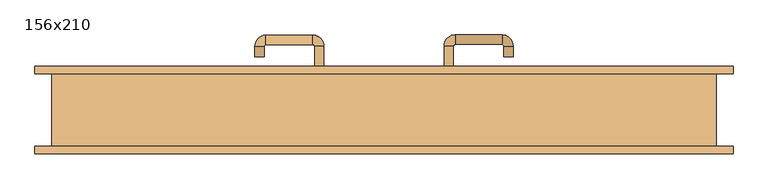
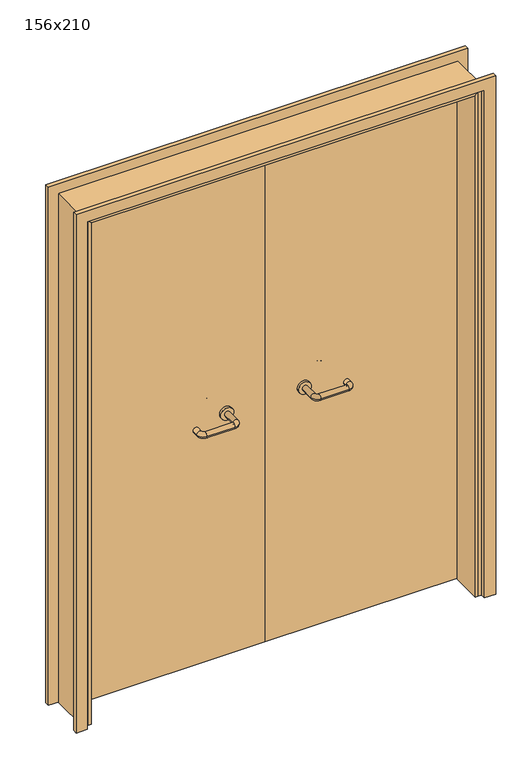
"""IFC4 building model written with IfcOpenShell, lengths in millimetres: door geometry, 156x210."""

from ifc_helpers import new_model, si_unit, point, frame, frame_2d, origin, place, context, project, spatial, polyline, circle_curve, ellipse_curve, trimmed, segment, composite_curve, outline, extrude, faceted_brep, source, transform, mapped, element, save
from ifc_brep_helpers import plane_surface, cylinder_surface, revolved_surface, advanced_brep


def door_156x210_d77bd2c3(model_context):
    return source(origin(), model_context, "Body", "SolidModel", [
        faceted_brep([(-750.0, 38.0, 0.0), (-750.0, -84.0, 0.0), (-760.0, -84.0, 0.0), (-760.0, 38.0, 0.0), (-750.0, 38.0, 2070.0), (-750.0, -84.0, 2070.0), (-760.0, -84.0, 2080.0), (-760.0, 38.0, 2080.0), (750.0, 38.0, 0.0), (760.0, 38.0, 0.0), (760.0, -84.0, 0.0), (750.0, -84.0, 0.0), (750.0, 38.0, 2070.0), (760.0, 38.0, 2080.0), (760.0, -84.0, 2080.0), (750.0, -84.0, 2070.0)], [[[0, 1, 2, 3]], [[1, 0, 4, 5]], [[2, 1, 5, 6]], [[3, 2, 6, 7]], [[0, 3, 7, 4]], [[8, 9, 10, 11]], [[12, 13, 9, 8]], [[13, 14, 10, 9]], [[14, 15, 11, 10]], [[15, 12, 8, 11]], [[5, 4, 12, 15]], [[6, 5, 15, 14]], [[7, 6, 14, 13]], [[4, 7, 13, 12]]]),
        extrude(outline(polyline([(2139.0, 819.0), (2139.0, -819.0), (0.0, -819.0), (0.0, -775.0), (2095.0, -775.0), (2095.0, 775.0), (0.0, 775.0), (0.0, 819.0), (2139.0, 819.0)])), frame((0.0, 85.0, 0.0), z_axis=(0.0, 1.0, 0.0), x_axis=(0.0, 0.0, 1.0)), (0.0, 0.0, 1.0), 18.0),
        extrude(outline(polyline([(2139.0, -819.0), (0.0, -819.0), (0.0, -775.0), (2095.0, -775.0), (2095.0, 775.0), (0.0, 775.0), (0.0, 819.0), (2139.0, 819.0), (2139.0, -819.0)])), frame((0.0, -103.0, 0.0), z_axis=(0.0, 1.0, 0.0), x_axis=(0.0, 0.0, 1.0)), (0.0, 0.0, 1.0), 18.0),
        extrude(outline(polyline([(2100.0, -780.0), (0.0, -780.0), (0.0, -760.0), (2080.0, -760.0), (2080.0, 760.0), (0.0, 760.0), (0.0, 780.0), (2100.0, 780.0), (2100.0, -780.0)])), frame((0.0, -84.0, 0.0), z_axis=(0.0, 1.0, 0.0), x_axis=(0.0, 0.0, 1.0)), (0.0, 0.0, 1.0), 169.0),
        advanced_brep(
        [(140.99898, 31.0, 1003.0), (162.99898, 31.0, 1003.0), (140.99898, -24.3525369, 1003.0), (162.99898, -24.3525369, 1003.0), (166.99898, -28.3525369, 1003.0), (166.99898, -50.3525369, 1003.0), (276.99898, -50.3525369, 1003.0), (276.99898, -28.3525369, 1003.0), (280.99898, -24.3525369, 1003.0), (302.99898, -24.3525369, 1003.0), (302.99898, -7.0, 1003.0), (280.99898, -7.0, 1003.0)],
        [
            (0, 1, circle_curve(frame((151.99898, 31.0, 1003.0), z_axis=(0.0, 1.0, 0.0), x_axis=(1.0, 0.0, 0.0)), 11.0)),
            (1, 0, circle_curve(frame((151.99898, 31.0, 1003.0), z_axis=(0.0, 1.0, 0.0), x_axis=(1.0, 0.0, 0.0)), 11.0)),
            (0, 2),
            (2, 3, circle_curve(frame((151.99898, -24.3525369, 1003.0), z_axis=(0.0, 1.0, 0.0), x_axis=(1.0, 0.0, 0.0)), 11.0)),
            (3, 1),
            (3, 2, circle_curve(frame((151.99898, -24.3525369, 1003.0), z_axis=(0.0, 1.0, 0.0), x_axis=(1.0, 0.0, 0.0)), 11.0)),
            (4, 3, circle_curve(frame((166.99898, -24.3525369, 1003.0), z_axis=(0.0, 0.0, -1.0), x_axis=(-1.0, 0.0, 0.0)), 4.0)),
            (2, 5, circle_curve(frame((166.99898, -24.3525369, 1003.0), z_axis=(0.0, 0.0, 1.0), x_axis=(-1.0, 0.0, 0.0)), 26.0)),
            (5, 4, circle_curve(frame((166.99898, -39.3525369, 1003.0), z_axis=(-1.0, 0.0, 0.0), x_axis=(0.0, 1.0, 0.0)), 11.0)),
            (4, 5, circle_curve(frame((166.99898, -39.3525369, 1003.0), z_axis=(-1.0, 0.0, 0.0), x_axis=(0.0, 1.0, 0.0)), 11.0)),
            (5, 6),
            (6, 7, circle_curve(frame((276.99898, -39.3525369, 1003.0), z_axis=(-1.0, 0.0, 0.0), x_axis=(0.0, 1.0, 0.0)), 11.0)),
            (7, 4),
            (7, 6, circle_curve(frame((276.99898, -39.3525369, 1003.0), z_axis=(-1.0, 0.0, 0.0), x_axis=(0.0, 1.0, 0.0)), 11.0)),
            (8, 7, circle_curve(frame((276.99898, -24.3525369, 1003.0), z_axis=(0.0, 0.0, -1.0), x_axis=(0.0, -1.0, 0.0)), 4.0)),
            (6, 9, circle_curve(frame((276.99898, -24.3525369, 1003.0), z_axis=(0.0, 0.0, 1.0), x_axis=(0.0, -1.0, 0.0)), 26.0)),
            (9, 8, circle_curve(frame((291.99898, -24.3525369, 1003.0), z_axis=(0.0, -1.0, 0.0), x_axis=(-1.0, 0.0, 0.0)), 11.0)),
            (8, 9, circle_curve(frame((291.99898, -24.3525369, 1003.0), z_axis=(0.0, -1.0, 0.0), x_axis=(-1.0, 0.0, 0.0)), 11.0)),
            (10, 11, circle_curve(frame((291.99898, -7.0, 1003.0), z_axis=(0.0, 1.0, 0.0), x_axis=(-1.0, 0.0, 0.0)), 11.0)),
            (11, 10, circle_curve(frame((291.99898, -7.0, 1003.0), z_axis=(0.0, 1.0, 0.0), x_axis=(-1.0, 0.0, 0.0)), 11.0)),
            (9, 10),
            (11, 8),
        ],
        [
            plane_surface(frame((140.99898, 31.0, 1003.0), z_axis=(0.0, 1.0, 0.0), x_axis=(0.0, 0.0, -1.0))),
            cylinder_surface(frame((151.99898, 31.0, 1003.0), z_axis=(0.0, 1.0, 0.0), x_axis=(1.0, 0.0, 0.0)), 11.0),
            revolved_surface(trimmed(ellipse_curve(frame((151.99898, -24.3525369, 1003.0), z_axis=(0.0, 1.0, 0.0), x_axis=(1.0, 0.0, 0.0)), 11.0, 11.0), [point((140.99898, -24.3525369, 1003.0))], [point((162.99898, -24.3525369, 1003.0))], True, "CARTESIAN"), (166.99898, -24.3525369, 1003.0), (0.0, 0.0, 1.0)),
            revolved_surface(trimmed(ellipse_curve(frame((151.99898, -24.3525369, 1003.0), z_axis=(0.0, 1.0, 0.0), x_axis=(1.0, 0.0, 0.0)), 11.0, 11.0), [point((162.99898, -24.3525369, 1003.0))], [point((140.99898, -24.3525369, 1003.0))], True, "CARTESIAN"), (166.99898, -24.3525369, 1003.0), (0.0, 0.0, 1.0)),
            cylinder_surface(frame((166.99898, -39.3525369, 1003.0), z_axis=(-1.0, 0.0, 0.0), x_axis=(0.0, 1.0, 0.0)), 11.0),
            revolved_surface(trimmed(ellipse_curve(frame((276.99898, -39.3525369, 1003.0), z_axis=(-1.0, 0.0, 0.0), x_axis=(0.0, 1.0, 0.0)), 11.0, 11.0), [point((276.99898, -50.3525369, 1003.0))], [point((276.99898, -28.3525369, 1003.0))], True, "CARTESIAN"), (276.99898, -24.3525369, 1003.0), (0.0, 0.0, 1.0)),
            revolved_surface(trimmed(ellipse_curve(frame((276.99898, -39.3525369, 1003.0), z_axis=(-1.0, 0.0, 0.0), x_axis=(0.0, 1.0, 0.0)), 11.0, 11.0), [point((276.99898, -28.3525369, 1003.0))], [point((276.99898, -50.3525369, 1003.0))], True, "CARTESIAN"), (276.99898, -24.3525369, 1003.0), (0.0, 0.0, 1.0)),
            plane_surface(frame((280.99898, -7.0, 1003.0), z_axis=(0.0, 1.0, 0.0), x_axis=(0.0, 0.0, 1.0))),
            cylinder_surface(frame((291.99898, -24.3525369, 1003.0), z_axis=(0.0, -1.0, 0.0), x_axis=(-1.0, 0.0, 0.0)), 11.0),
        ],
        [
            (0, [[1, 2]]),
            (1, [[-1, 3, 4, 5]]),
            (1, [[-2, -5, 6, -3]]),
            (2, [[7, -4, 8, 9]]),
            (3, [[-8, -6, -7, 10]]),
            (4, [[-9, 11, 12, 13]]),
            (4, [[-10, -13, 14, -11]]),
            (5, [[15, -12, 16, 17]]),
            (6, [[-16, -14, -15, 18]]),
            (7, [[19, 20]]),
            (8, [[-17, 21, -20, 22]]),
            (8, [[-18, -22, -19, -21]]),
        ],
    ),
        extrude(outline(composite_curve([segment(trimmed(circle_curve(frame_2d((1003.0, 151.99898)), 25.0), [point((1003.0, 126.99898))], [point((1003.0, 176.99898))], False, "CARTESIAN"), True, "CONTINUOUS"), segment(trimmed(circle_curve(frame_2d((1003.0, 151.99898)), 25.0), [point((1003.0, 176.99898))], [point((1003.0, 126.99898))], False, "CARTESIAN"), True, "CONTINUOUS")], self_intersect=False)), frame((0.0, 31.0, 0.0), z_axis=(0.0, 1.0, 0.0), x_axis=(0.0, 0.0, 1.0)), (0.0, 0.0, 1.0), 10.0),
        advanced_brep(
        [(162.99898, 95.0, 1003.0), (140.99898, 95.0, 1003.0), (162.99898, 150.0, 1003.0), (140.99898, 150.0, 1003.0), (166.99898, 176.0, 1003.0), (166.99898, 154.0, 1003.0), (276.99898, 154.0, 1003.0), (276.99898, 176.0, 1003.0), (302.99898, 150.0, 1003.0), (280.99898, 150.0, 1003.0), (280.99898, 125.0, 1003.0), (302.99898, 125.0, 1003.0)],
        [
            (0, 1, circle_curve(frame((151.99898, 95.0, 1003.0), z_axis=(0.0, -1.0, 0.0), x_axis=(-1.0, 0.0, 0.0)), 11.0)),
            (1, 0, circle_curve(frame((151.99898, 95.0, 1003.0), z_axis=(0.0, -1.0, 0.0), x_axis=(-1.0, 0.0, 0.0)), 11.0)),
            (0, 2),
            (2, 3, circle_curve(frame((151.99898, 150.0, 1003.0), z_axis=(0.0, -1.0, 0.0), x_axis=(-1.0, 0.0, 0.0)), 11.0)),
            (3, 1),
            (3, 2, circle_curve(frame((151.99898, 150.0, 1003.0), z_axis=(0.0, -1.0, 0.0), x_axis=(-1.0, 0.0, 0.0)), 11.0)),
            (4, 3, circle_curve(frame((166.99898, 150.0, 1003.0), z_axis=(0.0, 0.0, 1.0), x_axis=(-1.0, 0.0, 0.0)), 26.0)),
            (2, 5, circle_curve(frame((166.99898, 150.0, 1003.0), z_axis=(0.0, 0.0, -1.0), x_axis=(-1.0, 0.0, 0.0)), 4.0)),
            (5, 4, circle_curve(frame((166.99898, 165.0, 1003.0), z_axis=(-1.0, 0.0, 0.0), x_axis=(0.0, 1.0, 0.0)), 11.0)),
            (4, 5, circle_curve(frame((166.99898, 165.0, 1003.0), z_axis=(-1.0, 0.0, 0.0), x_axis=(0.0, 1.0, 0.0)), 11.0)),
            (5, 6),
            (6, 7, circle_curve(frame((276.99898, 165.0, 1003.0), z_axis=(-1.0, 0.0, 0.0), x_axis=(0.0, 1.0, 0.0)), 11.0)),
            (7, 4),
            (7, 6, circle_curve(frame((276.99898, 165.0, 1003.0), z_axis=(-1.0, 0.0, 0.0), x_axis=(0.0, 1.0, 0.0)), 11.0)),
            (8, 7, circle_curve(frame((276.99898, 150.0, 1003.0), z_axis=(0.0, 0.0, 1.0), x_axis=(0.0, 1.0, 0.0)), 26.0)),
            (6, 9, circle_curve(frame((276.99898, 150.0, 1003.0), z_axis=(0.0, 0.0, -1.0), x_axis=(0.0, 1.0, 0.0)), 4.0)),
            (9, 8, circle_curve(frame((291.99898, 150.0, 1003.0), z_axis=(0.0, 1.0, 0.0), x_axis=(1.0, 0.0, 0.0)), 11.0)),
            (8, 9, circle_curve(frame((291.99898, 150.0, 1003.0), z_axis=(0.0, 1.0, 0.0), x_axis=(1.0, 0.0, 0.0)), 11.0)),
            (10, 11, circle_curve(frame((291.99898, 125.0, 1003.0), z_axis=(0.0, -1.0, 0.0), x_axis=(1.0, 0.0, 0.0)), 11.0)),
            (11, 10, circle_curve(frame((291.99898, 125.0, 1003.0), z_axis=(0.0, -1.0, 0.0), x_axis=(1.0, 0.0, 0.0)), 11.0)),
            (9, 10),
            (11, 8),
        ],
        [
            plane_surface(frame((140.99898, 95.0, 1003.0), z_axis=(0.0, -1.0, 0.0), x_axis=(0.0, 0.0, 1.0))),
            cylinder_surface(frame((151.99898, 95.0, 1003.0), z_axis=(0.0, -1.0, 0.0), x_axis=(-1.0, 0.0, 0.0)), 11.0),
            revolved_surface(trimmed(ellipse_curve(frame((151.99898, 150.0, 1003.0), z_axis=(0.0, -1.0, 0.0), x_axis=(-1.0, 0.0, 0.0)), 11.0, 11.0), [point((162.99898, 150.0, 1003.0))], [point((140.99898, 150.0, 1003.0))], True, "CARTESIAN"), (166.99898, 150.0, 1003.0), (0.0, 0.0, -1.0)),
            revolved_surface(trimmed(ellipse_curve(frame((151.99898, 150.0, 1003.0), z_axis=(0.0, -1.0, 0.0), x_axis=(-1.0, 0.0, 0.0)), 11.0, 11.0), [point((140.99898, 150.0, 1003.0))], [point((162.99898, 150.0, 1003.0))], True, "CARTESIAN"), (166.99898, 150.0, 1003.0), (0.0, 0.0, -1.0)),
            cylinder_surface(frame((166.99898, 165.0, 1003.0), z_axis=(-1.0, 0.0, 0.0), x_axis=(0.0, 1.0, 0.0)), 11.0),
            revolved_surface(trimmed(ellipse_curve(frame((276.99898, 165.0, 1003.0), z_axis=(-1.0, 0.0, 0.0), x_axis=(0.0, 1.0, 0.0)), 11.0, 11.0), [point((276.99898, 154.0, 1003.0))], [point((276.99898, 176.0, 1003.0))], True, "CARTESIAN"), (276.99898, 150.0, 1003.0), (0.0, 0.0, -1.0)),
            revolved_surface(trimmed(ellipse_curve(frame((276.99898, 165.0, 1003.0), z_axis=(-1.0, 0.0, 0.0), x_axis=(0.0, 1.0, 0.0)), 11.0, 11.0), [point((276.99898, 176.0, 1003.0))], [point((276.99898, 154.0, 1003.0))], True, "CARTESIAN"), (276.99898, 150.0, 1003.0), (0.0, 0.0, -1.0)),
            plane_surface(frame((280.99898, 125.0, 1003.0), z_axis=(0.0, -1.0, 0.0), x_axis=(0.0, 0.0, -1.0))),
            cylinder_surface(frame((291.99898, 150.0, 1003.0), z_axis=(0.0, 1.0, 0.0), x_axis=(1.0, 0.0, 0.0)), 11.0),
        ],
        [
            (0, [[1, 2]]),
            (1, [[-1, 3, 4, 5]]),
            (1, [[-2, -5, 6, -3]]),
            (2, [[7, -4, 8, 9]]),
            (3, [[-8, -6, -7, 10]]),
            (4, [[-9, 11, 12, 13]]),
            (4, [[-10, -13, 14, -11]]),
            (5, [[15, -12, 16, 17]]),
            (6, [[-16, -14, -15, 18]]),
            (7, [[19, 20]]),
            (8, [[-17, 21, -20, 22]]),
            (8, [[-18, -22, -19, -21]]),
        ],
    ),
        extrude(outline(composite_curve([segment(trimmed(circle_curve(frame_2d((1003.0, 151.99898)), 25.0), [point((1003.0, 176.99898))], [point((1003.0, 126.99898))], False, "CARTESIAN"), True, "CONTINUOUS"), segment(trimmed(circle_curve(frame_2d((1003.0, 151.99898)), 25.0), [point((1003.0, 126.99898))], [point((1003.0, 176.99898))], False, "CARTESIAN"), True, "CONTINUOUS")], self_intersect=False)), frame((0.0, 85.0, 0.0), z_axis=(0.0, 1.0, 0.0), x_axis=(0.0, 0.0, 1.0)), (0.0, 0.0, 1.0), 10.0),
        advanced_brep(
        [(-162.99898, 30.6886121, 1003.0), (-140.99898, 30.6886121, 1003.0), (-162.99898, -24.7220447, 1003.0), (-140.99898, -24.7220447, 1003.0), (-166.99898, -50.7220447, 1003.0), (-166.99898, -28.7220447, 1003.0), (-276.99898, -28.7220447, 1003.0), (-276.99898, -50.7220447, 1003.0), (-302.99898, -24.7220447, 1003.0), (-280.99898, -24.7220447, 1003.0), (-280.99898, 0.2779553, 1003.0), (-302.99898, 0.2779553, 1003.0)],
        [
            (0, 1, circle_curve(frame((-151.99898, 30.6886121, 1003.0), z_axis=(0.0, 1.0, 0.0), x_axis=(1.0, 0.0, 0.0)), 11.0)),
            (1, 0, circle_curve(frame((-151.99898, 30.6886121, 1003.0), z_axis=(0.0, 1.0, 0.0), x_axis=(1.0, 0.0, 0.0)), 11.0)),
            (0, 2),
            (2, 3, circle_curve(frame((-151.99898, -24.7220447, 1003.0), z_axis=(0.0, 1.0, 0.0), x_axis=(1.0, 0.0, 0.0)), 11.0)),
            (3, 1),
            (3, 2, circle_curve(frame((-151.99898, -24.7220447, 1003.0), z_axis=(0.0, 1.0, 0.0), x_axis=(1.0, 0.0, 0.0)), 11.0)),
            (4, 3, circle_curve(frame((-166.99898, -24.7220447, 1003.0), z_axis=(0.0, 0.0, 1.0), x_axis=(1.0, 0.0, 0.0)), 26.0)),
            (2, 5, circle_curve(frame((-166.99898, -24.7220447, 1003.0), z_axis=(0.0, 0.0, -1.0), x_axis=(1.0, 0.0, 0.0)), 4.0)),
            (5, 4, circle_curve(frame((-166.99898, -39.7220447, 1003.0), z_axis=(1.0, 0.0, 0.0), x_axis=(0.0, -1.0, 0.0)), 11.0)),
            (4, 5, circle_curve(frame((-166.99898, -39.7220447, 1003.0), z_axis=(1.0, 0.0, 0.0), x_axis=(0.0, -1.0, 0.0)), 11.0)),
            (5, 6),
            (6, 7, circle_curve(frame((-276.99898, -39.7220447, 1003.0), z_axis=(1.0, 0.0, 0.0), x_axis=(0.0, -1.0, 0.0)), 11.0)),
            (7, 4),
            (7, 6, circle_curve(frame((-276.99898, -39.7220447, 1003.0), z_axis=(1.0, 0.0, 0.0), x_axis=(0.0, -1.0, 0.0)), 11.0)),
            (8, 7, circle_curve(frame((-276.99898, -24.7220447, 1003.0), z_axis=(0.0, 0.0, 1.0), x_axis=(0.0, -1.0, 0.0)), 26.0)),
            (6, 9, circle_curve(frame((-276.99898, -24.7220447, 1003.0), z_axis=(0.0, 0.0, -1.0), x_axis=(0.0, -1.0, 0.0)), 4.0)),
            (9, 8, circle_curve(frame((-291.99898, -24.7220447, 1003.0), z_axis=(0.0, -1.0, 0.0), x_axis=(-1.0, 0.0, 0.0)), 11.0)),
            (8, 9, circle_curve(frame((-291.99898, -24.7220447, 1003.0), z_axis=(0.0, -1.0, 0.0), x_axis=(-1.0, 0.0, 0.0)), 11.0)),
            (10, 11, circle_curve(frame((-291.99898, 0.2779553, 1003.0), z_axis=(0.0, 1.0, 0.0), x_axis=(-1.0, 0.0, 0.0)), 11.0)),
            (11, 10, circle_curve(frame((-291.99898, 0.2779553, 1003.0), z_axis=(0.0, 1.0, 0.0), x_axis=(-1.0, 0.0, 0.0)), 11.0)),
            (9, 10),
            (11, 8),
        ],
        [
            plane_surface(frame((-162.99898, 30.6886121, 1003.0), z_axis=(0.0, 1.0, 0.0), x_axis=(0.0, 0.0, -1.0))),
            cylinder_surface(frame((-151.99898, 30.6886121, 1003.0), z_axis=(0.0, 1.0, 0.0), x_axis=(1.0, 0.0, 0.0)), 11.0),
            revolved_surface(trimmed(ellipse_curve(frame((-151.99898, -24.7220447, 1003.0), z_axis=(0.0, 1.0, 0.0), x_axis=(1.0, 0.0, 0.0)), 11.0, 11.0), [point((-162.99898, -24.7220447, 1003.0))], [point((-140.99898, -24.7220447, 1003.0))], True, "CARTESIAN"), (-166.99898, -24.7220447, 1003.0), (0.0, 0.0, -1.0)),
            revolved_surface(trimmed(ellipse_curve(frame((-151.99898, -24.7220447, 1003.0), z_axis=(0.0, 1.0, 0.0), x_axis=(1.0, 0.0, 0.0)), 11.0, 11.0), [point((-140.99898, -24.7220447, 1003.0))], [point((-162.99898, -24.7220447, 1003.0))], True, "CARTESIAN"), (-166.99898, -24.7220447, 1003.0), (0.0, 0.0, -1.0)),
            cylinder_surface(frame((-166.99898, -39.7220447, 1003.0), z_axis=(1.0, 0.0, 0.0), x_axis=(0.0, -1.0, 0.0)), 11.0),
            revolved_surface(trimmed(ellipse_curve(frame((-276.99898, -39.7220447, 1003.0), z_axis=(1.0, 0.0, 0.0), x_axis=(0.0, -1.0, 0.0)), 11.0, 11.0), [point((-276.99898, -28.7220447, 1003.0))], [point((-276.99898, -50.7220447, 1003.0))], True, "CARTESIAN"), (-276.99898, -24.7220447, 1003.0), (0.0, 0.0, -1.0)),
            revolved_surface(trimmed(ellipse_curve(frame((-276.99898, -39.7220447, 1003.0), z_axis=(1.0, 0.0, 0.0), x_axis=(0.0, -1.0, 0.0)), 11.0, 11.0), [point((-276.99898, -50.7220447, 1003.0))], [point((-276.99898, -28.7220447, 1003.0))], True, "CARTESIAN"), (-276.99898, -24.7220447, 1003.0), (0.0, 0.0, -1.0)),
            plane_surface(frame((-302.99898, 0.2779553, 1003.0), z_axis=(0.0, 1.0, 0.0), x_axis=(0.0, 0.0, 1.0))),
            cylinder_surface(frame((-291.99898, -24.7220447, 1003.0), z_axis=(0.0, -1.0, 0.0), x_axis=(-1.0, 0.0, 0.0)), 11.0),
        ],
        [
            (0, [[1, 2]]),
            (1, [[-1, 3, 4, 5]]),
            (1, [[-2, -5, 6, -3]]),
            (2, [[7, -4, 8, 9]]),
            (3, [[-8, -6, -7, 10]]),
            (4, [[-9, 11, 12, 13]]),
            (4, [[-10, -13, 14, -11]]),
            (5, [[15, -12, 16, 17]]),
            (6, [[-16, -14, -15, 18]]),
            (7, [[19, 20]]),
            (8, [[-17, 21, -20, 22]]),
            (8, [[-18, -22, -19, -21]]),
        ],
    ),
        extrude(outline(composite_curve([segment(trimmed(circle_curve(frame_2d((1003.0, -151.99898)), 25.0), [point((1003.0, -176.99898))], [point((1003.0, -126.99898))], False, "CARTESIAN"), True, "CONTINUOUS"), segment(trimmed(circle_curve(frame_2d((1003.0, -151.99898)), 25.0), [point((1003.0, -126.99898))], [point((1003.0, -176.99898))], False, "CARTESIAN"), True, "CONTINUOUS")], self_intersect=False)), frame((0.0, 30.6886121, 0.0), z_axis=(0.0, 1.0, 0.0), x_axis=(0.0, 0.0, 1.0)), (0.0, 0.0, 1.0), 10.3113879),
        advanced_brep(
        [(-140.99898, 94.5143417, 1003.0), (-162.99898, 94.5143417, 1003.0), (-140.99898, 149.6104656, 1003.0), (-162.99898, 149.6104656, 1003.0), (-166.99898, 153.6104656, 1003.0), (-166.99898, 175.6104656, 1003.0), (-276.99898, 175.6104656, 1003.0), (-276.99898, 153.6104656, 1003.0), (-280.99898, 149.6104656, 1003.0), (-302.99898, 149.6104656, 1003.0), (-302.99898, 124.6104656, 1003.0), (-280.99898, 124.6104656, 1003.0)],
        [
            (0, 1, circle_curve(frame((-151.99898, 94.5143417, 1003.0), z_axis=(0.0, -1.0, 0.0), x_axis=(-1.0, 0.0, 0.0)), 11.0)),
            (1, 0, circle_curve(frame((-151.99898, 94.5143417, 1003.0), z_axis=(0.0, -1.0, 0.0), x_axis=(-1.0, 0.0, 0.0)), 11.0)),
            (0, 2),
            (2, 3, circle_curve(frame((-151.99898, 149.6104656, 1003.0), z_axis=(0.0, -1.0, 0.0), x_axis=(-1.0, 0.0, 0.0)), 11.0)),
            (3, 1),
            (3, 2, circle_curve(frame((-151.99898, 149.6104656, 1003.0), z_axis=(0.0, -1.0, 0.0), x_axis=(-1.0, 0.0, 0.0)), 11.0)),
            (4, 3, circle_curve(frame((-166.99898, 149.6104656, 1003.0), z_axis=(0.0, 0.0, -1.0), x_axis=(1.0, 0.0, 0.0)), 4.0)),
            (2, 5, circle_curve(frame((-166.99898, 149.6104656, 1003.0), z_axis=(0.0, 0.0, 1.0), x_axis=(1.0, 0.0, 0.0)), 26.0)),
            (5, 4, circle_curve(frame((-166.99898, 164.6104656, 1003.0), z_axis=(1.0, 0.0, 0.0), x_axis=(0.0, -1.0, 0.0)), 11.0)),
            (4, 5, circle_curve(frame((-166.99898, 164.6104656, 1003.0), z_axis=(1.0, 0.0, 0.0), x_axis=(0.0, -1.0, 0.0)), 11.0)),
            (5, 6),
            (6, 7, circle_curve(frame((-276.99898, 164.6104656, 1003.0), z_axis=(1.0, 0.0, 0.0), x_axis=(0.0, -1.0, 0.0)), 11.0)),
            (7, 4),
            (7, 6, circle_curve(frame((-276.99898, 164.6104656, 1003.0), z_axis=(1.0, 0.0, 0.0), x_axis=(0.0, -1.0, 0.0)), 11.0)),
            (8, 7, circle_curve(frame((-276.99898, 149.6104656, 1003.0), z_axis=(0.0, 0.0, -1.0), x_axis=(0.0, 1.0, 0.0)), 4.0)),
            (6, 9, circle_curve(frame((-276.99898, 149.6104656, 1003.0), z_axis=(0.0, 0.0, 1.0), x_axis=(0.0, 1.0, 0.0)), 26.0)),
            (9, 8, circle_curve(frame((-291.99898, 149.6104656, 1003.0), z_axis=(0.0, 1.0, 0.0), x_axis=(1.0, 0.0, 0.0)), 11.0)),
            (8, 9, circle_curve(frame((-291.99898, 149.6104656, 1003.0), z_axis=(0.0, 1.0, 0.0), x_axis=(1.0, 0.0, 0.0)), 11.0)),
            (10, 11, circle_curve(frame((-291.99898, 124.6104656, 1003.0), z_axis=(0.0, -1.0, 0.0), x_axis=(1.0, 0.0, 0.0)), 11.0)),
            (11, 10, circle_curve(frame((-291.99898, 124.6104656, 1003.0), z_axis=(0.0, -1.0, 0.0), x_axis=(1.0, 0.0, 0.0)), 11.0)),
            (9, 10),
            (11, 8),
        ],
        [
            plane_surface(frame((-162.99898, 94.5143417, 1003.0), z_axis=(0.0, -1.0, 0.0), x_axis=(0.0, 0.0, 1.0))),
            cylinder_surface(frame((-151.99898, 94.5143417, 1003.0), z_axis=(0.0, -1.0, 0.0), x_axis=(-1.0, 0.0, 0.0)), 11.0),
            revolved_surface(trimmed(ellipse_curve(frame((-151.99898, 149.6104656, 1003.0), z_axis=(0.0, -1.0, 0.0), x_axis=(-1.0, 0.0, 0.0)), 11.0, 11.0), [point((-140.99898, 149.6104656, 1003.0))], [point((-162.99898, 149.6104656, 1003.0))], True, "CARTESIAN"), (-166.99898, 149.6104656, 1003.0), (0.0, 0.0, 1.0)),
            revolved_surface(trimmed(ellipse_curve(frame((-151.99898, 149.6104656, 1003.0), z_axis=(0.0, -1.0, 0.0), x_axis=(-1.0, 0.0, 0.0)), 11.0, 11.0), [point((-162.99898, 149.6104656, 1003.0))], [point((-140.99898, 149.6104656, 1003.0))], True, "CARTESIAN"), (-166.99898, 149.6104656, 1003.0), (0.0, 0.0, 1.0)),
            cylinder_surface(frame((-166.99898, 164.6104656, 1003.0), z_axis=(1.0, 0.0, 0.0), x_axis=(0.0, -1.0, 0.0)), 11.0),
            revolved_surface(trimmed(ellipse_curve(frame((-276.99898, 164.6104656, 1003.0), z_axis=(1.0, 0.0, 0.0), x_axis=(0.0, -1.0, 0.0)), 11.0, 11.0), [point((-276.99898, 175.6104656, 1003.0))], [point((-276.99898, 153.6104656, 1003.0))], True, "CARTESIAN"), (-276.99898, 149.6104656, 1003.0), (0.0, 0.0, 1.0)),
            revolved_surface(trimmed(ellipse_curve(frame((-276.99898, 164.6104656, 1003.0), z_axis=(1.0, 0.0, 0.0), x_axis=(0.0, -1.0, 0.0)), 11.0, 11.0), [point((-276.99898, 153.6104656, 1003.0))], [point((-276.99898, 175.6104656, 1003.0))], True, "CARTESIAN"), (-276.99898, 149.6104656, 1003.0), (0.0, 0.0, 1.0)),
            plane_surface(frame((-302.99898, 124.6104656, 1003.0), z_axis=(0.0, -1.0, 0.0), x_axis=(0.0, 0.0, -1.0))),
            cylinder_surface(frame((-291.99898, 149.6104656, 1003.0), z_axis=(0.0, 1.0, 0.0), x_axis=(1.0, 0.0, 0.0)), 11.0),
        ],
        [
            (0, [[1, 2]]),
            (1, [[-1, 3, 4, 5]]),
            (1, [[-2, -5, 6, -3]]),
            (2, [[7, -4, 8, 9]]),
            (3, [[-8, -6, -7, 10]]),
            (4, [[-9, 11, 12, 13]]),
            (4, [[-10, -13, 14, -11]]),
            (5, [[15, -12, 16, 17]]),
            (6, [[-16, -14, -15, 18]]),
            (7, [[19, 20]]),
            (8, [[-17, 21, -20, 22]]),
            (8, [[-18, -22, -19, -21]]),
        ],
    ),
        extrude(outline(composite_curve([segment(trimmed(circle_curve(frame_2d((1003.0, -151.99898)), 25.0), [point((1003.0, -126.99898))], [point((1003.0, -176.99898))], False, "CARTESIAN"), True, "CONTINUOUS"), segment(trimmed(circle_curve(frame_2d((1003.0, -151.99898)), 25.0), [point((1003.0, -176.99898))], [point((1003.0, -126.99898))], False, "CARTESIAN"), True, "CONTINUOUS")], self_intersect=False)), frame((0.0, 85.0, 0.0), z_axis=(0.0, 1.0, 0.0), x_axis=(0.0, 0.0, 1.0)), (0.0, 0.0, 1.0), 9.5143417),
        extrude(outline(polyline([(1.0739506, 41.0), (-757.0, 41.0), (-757.0, 85.0), (1.0739506, 85.0), (1.0739506, 41.0)])), frame((0.0, 0.0, 1.753223), z_axis=(0.0, 0.0, 1.0), x_axis=(1.0, 0.0, 0.0)), (0.0, 0.0, 1.0), 2078.246777),
        extrude(outline(polyline([(757.0, 41.0), (1.0739506, 41.0), (1.0739506, 85.0), (757.0, 85.0), (757.0, 41.0)])), frame((0.0, 0.0, 1.753223), z_axis=(0.0, 0.0, 1.0), x_axis=(1.0, 0.0, 0.0)), (0.0, 0.0, 1.0), 2078.246777),
    ])


if __name__ == "__main__":
    model = new_model("IFC4")
    model_context = context("Model", 3, world=origin())
    ifc_project = project(units=[si_unit("LENGTHUNIT", "METRE", prefix="MILLI")], contexts=[model_context])
    site = spatial("IfcSite", under=ifc_project)
    building = spatial("IfcBuilding", under=site)
    placement = place(None, origin())
    door_156x210_shape = door_156x210_d77bd2c3(model_context)
    element("IfcDoor", 1, ObjectType="156x210", at=placement, inside=building, context=model_context, shape_type="MappedRepresentation", body=[
        mapped(door_156x210_shape, transform((0.0, 0.0, 0.0), x_axis=(1.0, 0.0, 0.0), y_axis=(0.0, 1.0, 0.0), z_axis=(0.0, 0.0, 1.0))),
    ])
    save(model, "model.ifc")
